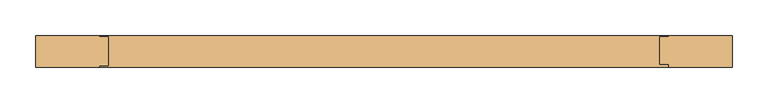
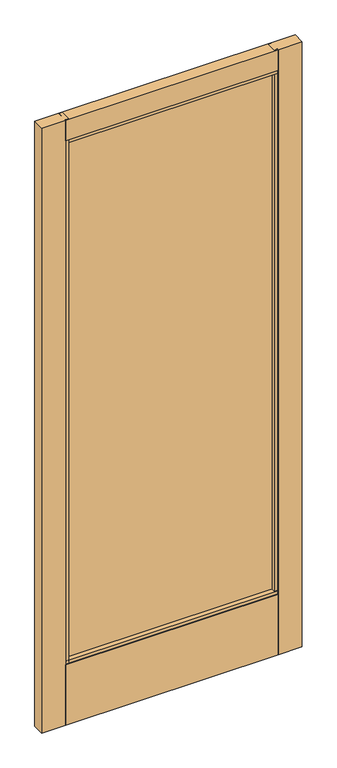
"""IFC4 building model written with IfcOpenShell, lengths in millimetres: door geometry."""

from ifc_helpers import new_model, si_unit, frame, origin, place, context, project, spatial, polyline, outline, extrude, source, transform, mapped, element, save


def door_d44cb69b(model_context):
    return source(origin(), model_context, "Body", "SweptSolid", [
        extrude(outline(polyline([(-490.5383852, 14.2875), (-400.8313446, 14.2875), (-400.8313446, 12.7276195), (-388.1313446, 12.7276195), (-388.1313446, -28.2929584), (-400.8313446, -28.2929584), (-400.8313446, -30.1625), (-490.5383852, -30.1625), (-490.5383852, 14.2875)])), frame((0.0, 0.0, 17.4625), z_axis=(0.0, 0.0, 1.0), x_axis=(1.0, 0.0, 0.0)), (0.0, 0.0, 1.0), 2407.8094027),
        extrude(outline(polyline([(-396.5228809, -10.8991855), (-396.5228809, -4.5491855), (392.9225074, -4.5491855), (392.9225074, -10.8991855), (-396.5228809, -10.8991855)])), frame((0.0, 0.0, 263.906), z_axis=(0.0, 0.0, 1.0), x_axis=(1.0, 0.0, 0.0)), (0.0, 0.0, 1.0), 2074.0534027),
        extrude(outline(polyline([(490.5383852, 14.2875), (490.5383852, -30.1625), (400.841465, -30.1625), (400.841465, -26.0572968), (388.141465, -26.0572968), (388.141465, 12.7276195), (400.841465, 12.7276195), (400.841465, 14.2875), (490.5383852, 14.2875)])), frame((0.0, 0.0, 17.4625), z_axis=(0.0, 0.0, 1.0), x_axis=(1.0, 0.0, 0.0)), (0.0, 0.0, 1.0), 2407.8094027),
        extrude(outline(polyline([(-30.1625, 2425.2719027), (14.2875, 2425.2719027), (14.2875, 2342.7246967), (12.7276195, 2342.7246967), (12.7276195, 2330.0219027), (-28.2929584, 2330.0219027), (-28.2929584, 2342.7246967), (-30.1625, 2342.7246967), (-30.1625, 2425.2719027)])), frame((-400.8313446, 0.0, 0.0), z_axis=(1.0, 0.0, 0.0), x_axis=(0.0, 1.0, 0.0)), (0.0, 0.0, 1.0), 801.6728095),
        extrude(outline(polyline([(-28.2929584, 271.4298836), (12.7276195, 271.4298836), (12.7276195, 258.7303916), (14.2875, 258.7303916), (14.2875, 17.4625), (-30.1625, 17.4625), (-30.1625, 258.7303916), (-28.2929584, 258.7303916), (-28.2929584, 271.4298836)])), frame((-400.8313446, 0.0, 0.0), z_axis=(1.0, 0.0, 0.0), x_axis=(0.0, 1.0, 0.0)), (0.0, 0.0, 1.0), 801.6728095),
    ])


if __name__ == "__main__":
    model = new_model("IFC4")
    model_context = context("Model", 3, world=origin())
    ifc_project = project(units=[si_unit("LENGTHUNIT", "METRE", prefix="MILLI")], contexts=[model_context])
    site = spatial("IfcSite", under=ifc_project)
    building = spatial("IfcBuilding", under=site)
    placement = place(None, origin())
    door_shape = door_d44cb69b(model_context)
    element("IfcDoor", 1, at=placement, inside=building, context=model_context, shape_type="MappedRepresentation", body=[
        mapped(door_shape, transform((0.0, 0.0, 0.0), x_axis=(1.0, 0.0, 0.0), y_axis=(0.0, 1.0, 0.0), z_axis=(0.0, 0.0, 1.0))),
    ])
    save(model, "model.ifc")
